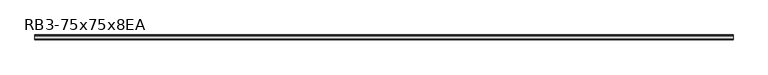
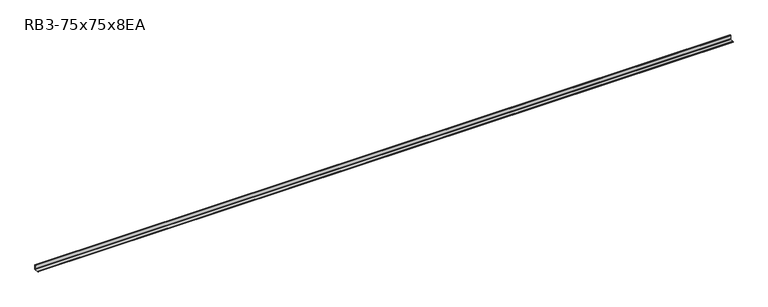
"""IFC4 building model written with IfcOpenShell, lengths in millimetres: member geometry, RB3-75x75x8EA."""

from ifc_helpers import new_model, si_unit, point, frame, frame_2d, origin, place, context, project, spatial, polyline, circle_curve, trimmed, segment, composite_curve, outline, extrude, source, transform, mapped, element, save


def rb3_75x75x8ea_e3ebff2c(model_context):
    return source(origin(), model_context, "Body", "SweptSolid", [
        extrude(outline(composite_curve([segment(polyline([(21.3, -21.3), (-53.7, -21.3), (-53.7, -18.3)]), True, "CONTINUOUS"), segment(trimmed(circle_curve(frame_2d((-48.7, -18.3)), 5.0), [point((-53.7, -18.3))], [point((-48.7, -13.3))], False, "CARTESIAN"), True, "CONTINUOUS"), segment(polyline([(-48.7, -13.3), (5.3, -13.3)]), True, "CONTINUOUS"), segment(trimmed(circle_curve(frame_2d((5.3, -5.3)), 8.0), [point((5.3, -13.3))], [point((13.3, -5.3))], True, "CARTESIAN"), True, "CONTINUOUS"), segment(polyline([(13.3, -5.3), (13.3, 48.7)]), True, "CONTINUOUS"), segment(trimmed(circle_curve(frame_2d((18.3, 48.7)), 5.0), [point((13.3, 48.7))], [point((18.3, 53.7))], False, "CARTESIAN"), True, "CONTINUOUS"), segment(polyline([(18.3, 53.7), (21.3, 53.7), (21.3, -21.3)]), True, "CONTINUOUS")], self_intersect=False)), frame((-5471.5, 0.0, 0.0), z_axis=(1.0, 0.0, 0.0), x_axis=(0.0, 1.0, 0.0)), (0.0, 0.0, 1.0), 10940.0),
    ])


if __name__ == "__main__":
    model = new_model("IFC4")
    model_context = context("Model", 3, world=origin())
    ifc_project = project(units=[si_unit("LENGTHUNIT", "METRE", prefix="MILLI")], contexts=[model_context])
    site = spatial("IfcSite", under=ifc_project)
    building = spatial("IfcBuilding", under=site)
    placement = place(None, origin())
    rb3_75x75x8ea_shape = rb3_75x75x8ea_e3ebff2c(model_context)
    element("IfcMember", 1, ObjectType="RB3-75x75x8EA", at=placement, inside=building, context=model_context, shape_type="MappedRepresentation", body=[
        mapped(rb3_75x75x8ea_shape, transform((0.0, 0.0, 0.0), x_axis=(1.0, 0.0, 0.0), y_axis=(0.0, 1.0, 0.0), z_axis=(0.0, 0.0, 1.0))),
    ])
    save(model, "model.ifc")
